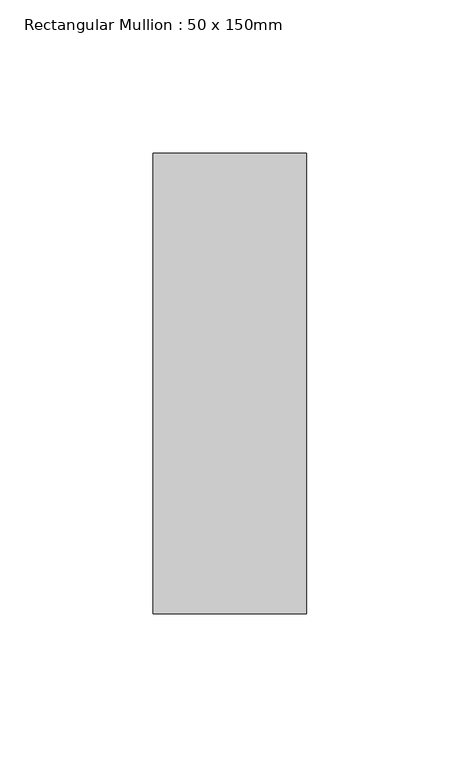
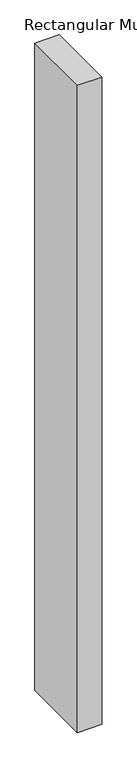
"""IFC4 building model written with IfcOpenShell, lengths in millimetres: member geometry, Rectangular Mullion : 50 x 150mm."""

from ifc_helpers import new_model, si_unit, frame, origin, place, context, project, spatial, polyline, outline, extrude, source, transform, mapped, element, save


def rectangular_mullion_50_x_150mm_5c232239(model_context):
    return source(origin(), model_context, "Body", "SweptSolid", [
        extrude(outline(polyline([(0.0, 75.0), (0.0, -75.0), (-50.0, -75.0), (-50.0, 75.0), (0.0, 75.0)])), frame((0.0, 0.0, -1397.3795962), z_axis=(0.0, 0.0, 1.0), x_axis=(1.0, 0.0, 0.0)), (0.0, 0.0, 1.0), 1397.3795962),
    ])


if __name__ == "__main__":
    model = new_model("IFC4")
    model_context = context("Model", 3, world=origin())
    ifc_project = project(units=[si_unit("LENGTHUNIT", "METRE", prefix="MILLI")], contexts=[model_context])
    site = spatial("IfcSite", under=ifc_project)
    building = spatial("IfcBuilding", under=site)
    placement = place(None, origin())
    rectangular_mullion_50_x_150mm_shape = rectangular_mullion_50_x_150mm_5c232239(model_context)
    element("IfcMember", 1, ObjectType="Rectangular Mullion : 50 x 150mm", at=placement, inside=building, context=model_context, shape_type="MappedRepresentation", body=[
        mapped(rectangular_mullion_50_x_150mm_shape, transform((0.0, 0.0, 0.0), x_axis=(1.0, 0.0, 0.0), y_axis=(0.0, 1.0, 0.0), z_axis=(0.0, 0.0, 1.0))),
    ])
    save(model, "model.ifc")
